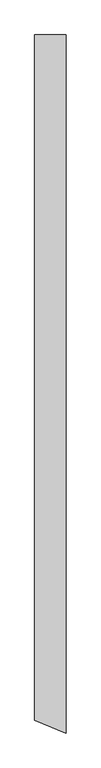
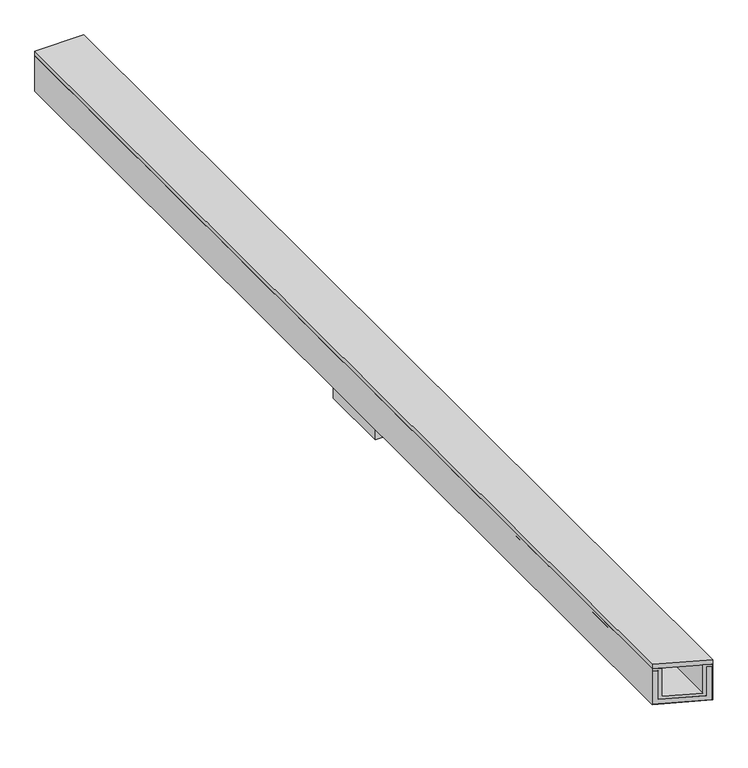
"""IFC4 building model written with IfcOpenShell, lengths in millimetres: proxy geometry."""

from ifc_helpers import new_model, si_unit, frame, origin, place, context, project, spatial, polyline, outline, extrude, faceted_brep, source, transform, mapped, element, save


def generic_models_ea44212b(model_context):
    return source(origin(), model_context, "Body", "SolidModel", [
        faceted_brep([(21.0, -2172.9459617, 146.0), (21.0, -2172.9459617, 21.0), (181.0, -2239.2201317, 21.0), (181.0, -2239.2201317, 146.0), (201.0, -2247.5044029, 146.0), (201.0, -2247.5044029, 156.0), (169.0, -2234.2495689, 156.0), (169.0, -2234.2495689, 33.0), (33.0, -2177.9165244, 33.0), (33.0, -2177.9165244, 156.0), (1.0, -2164.6616904, 156.0), (1.0, -2164.6616904, 146.0), (21.0, 2247.9186165, 146.0), (21.0, 2247.9186165, 21.0), (1.0, 2247.9186165, 146.0), (1.0, 2247.9186165, 156.0), (33.0, 2247.9186165, 156.0), (33.0, 2247.9186165, 33.0), (169.0, 2247.9186165, 33.0), (169.0, 2247.9186165, 156.0), (201.0, 2247.9186165, 156.0), (201.0, 2247.9186165, 146.0), (181.0, 2247.9186165, 146.0), (181.0, 2247.9186165, 21.0)], [[[0, 1, 2, 3, 4, 5, 6, 7, 8, 9, 10, 11]], [[12, 13, 1, 0]], [[14, 12, 0, 11]], [[15, 14, 11, 10]], [[16, 15, 10, 9]], [[17, 16, 9, 8]], [[18, 17, 8, 7]], [[19, 18, 7, 6]], [[20, 19, 6, 5]], [[21, 20, 5, 4]], [[22, 21, 4, 3]], [[23, 22, 3, 2]], [[13, 23, 2, 1]], [[13, 12, 14, 15, 16, 17, 18, 19, 20, 21, 22, 23]]]),
        faceted_brep([(0.0, -2164.2474769, 156.0), (0.0, -2164.2474769, 0.0), (202.0, -2247.9186165, 0.0), (202.0, -2247.9186165, 156.0), (201.0, -2247.5044029, 156.0), (201.0, -2247.5044029, 1.0), (1.0, -2164.6616904, 1.0), (1.0, -2164.6616904, 156.0), (0.0, 2247.9186165, 156.0), (0.0, 2247.9186165, 0.0), (1.0, 2247.9186165, 156.0), (1.0, 2247.9186165, 1.0), (201.0, 2247.9186165, 1.0), (21.0, 150.0, 1.0), (181.0, 150.0, 1.0), (181.0, -150.0, 1.0), (21.0, -150.0, 1.0), (201.0, 2247.9186165, 156.0), (202.0, 2247.9186165, 156.0), (202.0, 2247.9186165, 0.0), (181.0, 150.0, 0.0), (21.0, 150.0, 0.0), (21.0, -150.0, 0.0), (181.0, -150.0, 0.0)], [[[0, 1, 2, 3, 4, 5, 6, 7]], [[8, 9, 1, 0]], [[10, 8, 0, 7]], [[11, 10, 7, 6]], [[12, 11, 6, 5], [13, 14, 15, 16]], [[17, 12, 5, 4]], [[18, 17, 4, 3]], [[19, 18, 3, 2]], [[9, 19, 2, 1], [20, 21, 22, 23]], [[20, 14, 13, 21]], [[21, 13, 16, 22]], [[22, 16, 15, 23]], [[14, 20, 23, 15]], [[9, 8, 10, 11, 12, 17, 18, 19]]]),
        faceted_brep([(181.0, -2239.2201317, 21.0), (21.0, -2172.9459617, 21.0), (21.0, -2172.9459617, 146.0), (1.0, -2164.6616904, 146.0), (1.0, -2164.6616904, 1.0), (201.0, -2247.5044029, 1.0), (201.0, -2247.5044029, 146.0), (181.0, -2239.2201317, 146.0), (181.0, -150.0, 21.0), (21.0, -150.0, 21.0), (181.0, 2247.9186165, 21.0), (21.0, 2247.9186165, 21.0), (21.0, 150.0, 21.0), (181.0, 150.0, 21.0), (181.0, 2247.9186165, 146.0), (181.0, 150.0, 1.0), (181.0, -150.0, 1.0), (201.0, 2247.9186165, 146.0), (201.0, 2247.9186165, 1.0), (1.0, 2247.9186165, 1.0), (21.0, 150.0, 1.0), (21.0, -150.0, 1.0), (1.0, 2247.9186165, 146.0), (21.0, 2247.9186165, 146.0)], [[[0, 1, 2, 3, 4, 5, 6, 7]], [[1, 0, 8, 9]], [[10, 11, 12, 13]], [[14, 10, 13, 15, 16, 8, 0, 7]], [[17, 14, 7, 6]], [[18, 17, 6, 5]], [[19, 18, 5, 4], [15, 20, 21, 16]], [[22, 19, 4, 3]], [[23, 22, 3, 2]], [[11, 23, 2, 1, 9, 21, 20, 12]], [[15, 13, 12, 20]], [[21, 9, 8, 16]], [[11, 10, 14, 17, 18, 19, 22, 23]]]),
        extrude(outline(polyline([(202.0, 2247.9186165), (202.0, -2247.9186165), (0.0, -2164.2474769), (0.0, 2247.9186165), (202.0, 2247.9186165)])), frame((0.0, 0.0, 156.0), z_axis=(0.0, 0.0, 1.0), x_axis=(1.0, 0.0, 0.0)), (0.0, 0.0, 1.0), 20.0),
        extrude(outline(polyline([(181.0, 150.0), (181.0, -150.0), (21.0, -150.0), (21.0, 150.0), (181.0, 150.0)])), frame((0.0, 0.0, -74.0), z_axis=(0.0, 0.0, 1.0), x_axis=(1.0, 0.0, 0.0)), (0.0, 0.0, 1.0), 95.0),
    ])


if __name__ == "__main__":
    model = new_model("IFC4")
    model_context = context("Model", 3, world=origin())
    ifc_project = project(units=[si_unit("LENGTHUNIT", "METRE", prefix="MILLI")], contexts=[model_context])
    site = spatial("IfcSite", under=ifc_project)
    building = spatial("IfcBuilding", under=site)
    placement = place(None, origin())
    generic_models_shape = generic_models_ea44212b(model_context)
    element("IfcBuildingElementProxy", 1, Name="Generic Models", at=placement, inside=building, context=model_context, shape_type="MappedRepresentation", body=[
        mapped(generic_models_shape, transform((0.0, 0.0, 0.0), x_axis=(1.0, 0.0, 0.0), y_axis=(0.0, 1.0, 0.0), z_axis=(0.0, 0.0, 1.0))),
    ])
    save(model, "model.ifc")
